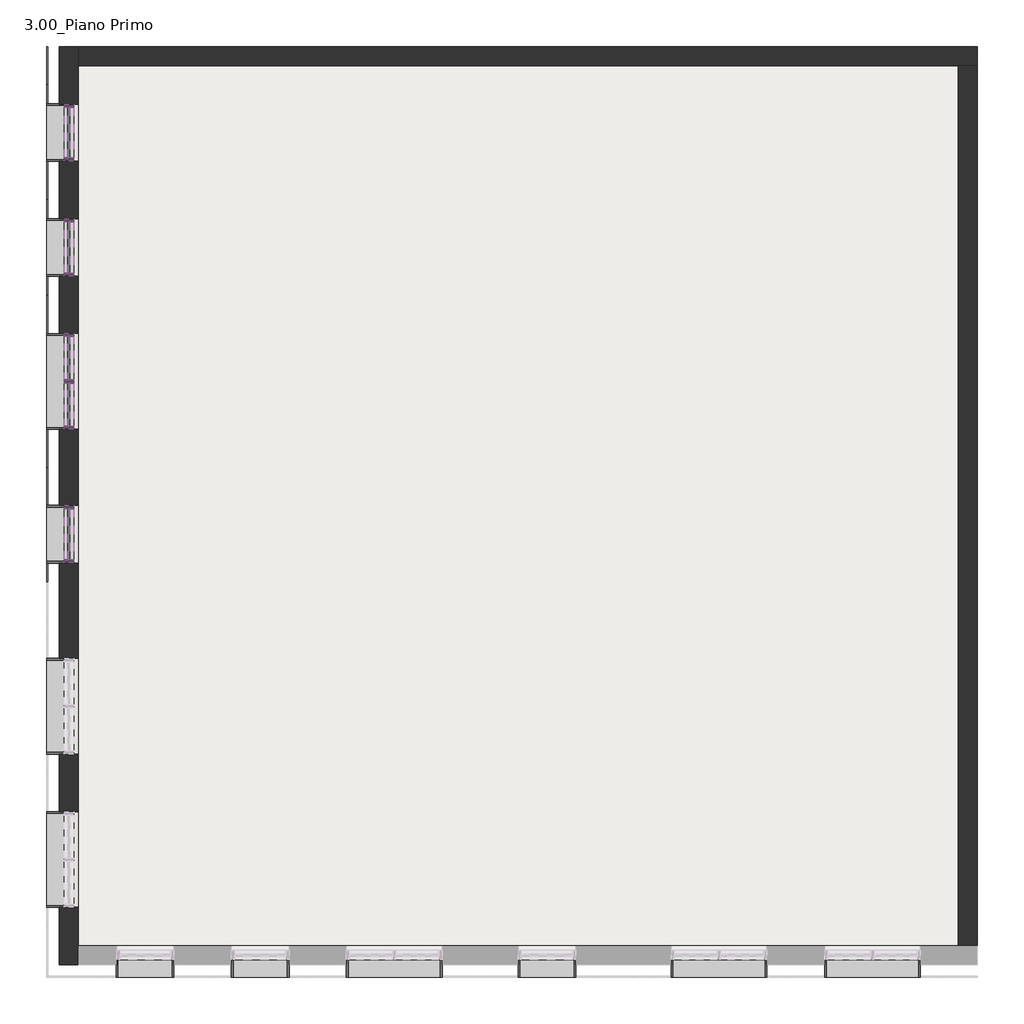
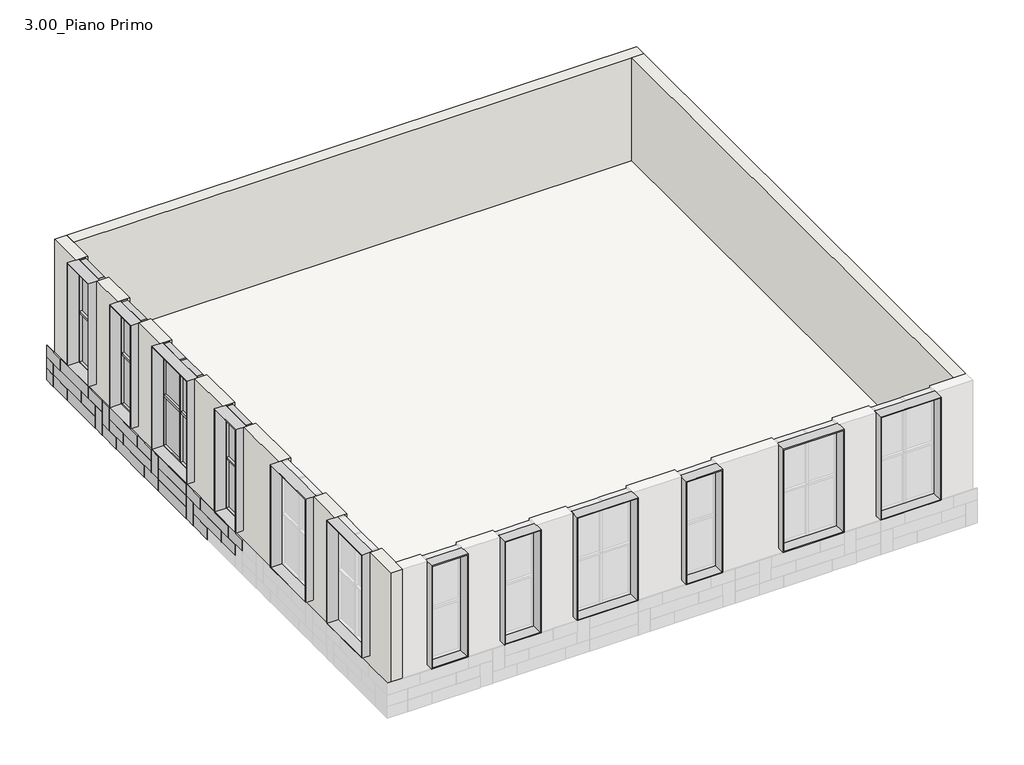
# One storey, part 3 of 3: 39 plates, 33 members, 12 proxies, 3 walls, 1 slab.
"""IFC4 building model written with IfcOpenShell, lengths in millimetres."""

import ifcopenshell
import ifcopenshell.guid

model = None  # the IFC model being written
_history = None  # IfcOwnerHistory: only IFC2X3 demands one
_inside = {}  # id of a spatial element -> (the spatial element, [elements in it])
_under = {}  # id of a project, library or spatial element -> (it, [spatial elements below it])
_declared = {}  # id of a project -> (the project, [libraries it declares])
_typed = {}  # id of a type object -> (the type object, [elements of that type])
_made_of = {}  # id of a material, layer set ... -> (it, [elements and type objects made of it])


def new_model(schema):
    """Start an empty IFC model of exactly this schema.

    Asked for "IFC4X3", IfcOpenShell would pick the latest addendum, in which some entities
    have other attributes; the version numbers below select the first issue.
    IFC2X3 requires an IfcOwnerHistory on every rooted entity: one is made here for all.
    """
    global model, _history
    if schema == "IFC4X3":
        model = ifcopenshell.file(schema_version=(4, 3, 0, 0))
    else:
        model = ifcopenshell.file(schema=schema)
    _inside.clear()
    _under.clear()
    _declared.clear()
    _typed.clear()
    _made_of.clear()
    _history = None
    if model.schema == "IFC2X3":
        org = make("IfcOrganization", Name="unknown")
        user = make(
            "IfcPersonAndOrganization",
            ThePerson=make("IfcPerson", FamilyName="unknown"),
            TheOrganization=org,
        )
        app = make(
            "IfcApplication",
            ApplicationDeveloper=org,
            Version="unknown",
            ApplicationFullName="unknown",
            ApplicationIdentifier="unknown",
        )
        _history = make(
            "IfcOwnerHistory",
            OwningUser=user,
            OwningApplication=app,
            ChangeAction="ADDED",
            CreationDate=0,
        )
    return model


def make(cls, **values):
    """One entity of the class cls with the attributes given. An attribute that is None is left unset."""
    return model.create_entity(
        cls, **{name: value for name, value in values.items() if value is not None}
    )


def rooted(cls, **values):
    """An entity with a GlobalId (a new one), such as an element, a storey or a relation."""
    return make(cls, GlobalId=ifcopenshell.guid.new(), OwnerHistory=_history, **values)


def si_unit(unit_type, name, prefix=None):
    """IfcSIUnit, for example si_unit("LENGTHUNIT", "METRE", prefix="MILLI")."""
    return make("IfcSIUnit", UnitType=unit_type, Prefix=prefix, Name=name)


def assignment(units):
    """IfcUnitAssignment: the units of a project."""
    return None if units is None else make("IfcUnitAssignment", Units=units)


def point(xyz):
    """IfcCartesianPoint."""
    return None if xyz is None else make("IfcCartesianPoint", Coordinates=xyz)


def direction(xyz):
    """IfcDirection."""
    return None if xyz is None else make("IfcDirection", DirectionRatios=xyz)


def frame(location, z_axis=None, x_axis=None):
    """IfcAxis2Placement3D, a coordinate frame: its origin and axes. An axis left out is left unset."""
    return make(
        "IfcAxis2Placement3D",
        Location=point(location),
        Axis=direction(z_axis),
        RefDirection=direction(x_axis),
    )


def origin():
    """The frame at (0, 0, 0) with its axes left unset."""
    return frame((0.0, 0.0, 0.0))


def origin_with_axes():
    """The frame at (0, 0, 0) with the z axis (0, 0, 1) and the x axis (1, 0, 0) written out."""
    return frame((0.0, 0.0, 0.0), z_axis=(0.0, 0.0, 1.0), x_axis=(1.0, 0.0, 0.0))


def place(relative_to, where):
    """IfcLocalPlacement: puts the frame where relative to a parent placement (None: the world)."""
    return make(
        "IfcLocalPlacement", PlacementRelTo=relative_to, RelativePlacement=where
    )


def context(
    kind, dimensions, precision=None, world=None, true_north=None, identifier=None
):
    """IfcGeometricRepresentationContext, for example the 3D "Model" context."""
    return make(
        "IfcGeometricRepresentationContext",
        ContextIdentifier=identifier,
        ContextType=kind,
        CoordinateSpaceDimension=dimensions,
        Precision=precision,
        WorldCoordinateSystem=world,
        TrueNorth=true_north,
    )


def project(units=None, contexts=None):
    """IfcProject with its units and contexts."""
    return rooted(
        "IfcProject",
        Name="project",
        RepresentationContexts=contexts,
        UnitsInContext=assignment(units),
    )


def spatial(cls, under=None, at=None, **own):
    """A site, building, storey or space (cls), placed at a placement, below another one or the project."""
    s = rooted(cls, ObjectPlacement=at, **own)
    if under is not None:
        _under.setdefault(under.id(), (under, []))[1].append(s)
    return s


def polyline(points):
    """IfcPolyline through the points."""
    return make("IfcPolyline", Points=[point(p) for p in points])


def outline(outer, holes=None, kind="AREA"):
    """IfcArbitraryClosedProfileDef: a profile drawn as a closed curve; with holes, ...WithVoids."""
    if holes is None:
        return make("IfcArbitraryClosedProfileDef", ProfileType=kind, OuterCurve=outer)
    return make(
        "IfcArbitraryProfileDefWithVoids",
        ProfileType=kind,
        OuterCurve=outer,
        InnerCurves=holes,
    )


def extrude(swept, where, along, depth):
    """IfcExtrudedAreaSolid: the profile swept, set in the frame where, extruded along a direction by depth."""
    return make(
        "IfcExtrudedAreaSolid",
        SweptArea=swept,
        Position=where,
        ExtrudedDirection=direction(along),
        Depth=depth,
    )


def faces_of(points, faces, orient=None, outer=None):
    """IfcFace entities. A face is a list of loops; a loop is a list of indices into points, from 0.

    orient and outer hold one flag for each loop. By default every Orientation is true, the
    first loop of a face is its IfcFaceOuterBound and the others are IfcFaceBound.
    """
    made = []
    for i, loops in enumerate(faces):
        bounds = []
        for j, loop in enumerate(loops):
            is_outer = j == 0 if outer is None else outer[i][j]
            bounds.append(
                make(
                    "IfcFaceOuterBound" if is_outer else "IfcFaceBound",
                    Bound=make("IfcPolyLoop", Polygon=[points[k] for k in loop]),
                    Orientation=True if orient is None else orient[i][j],
                )
            )
        made.append(make("IfcFace", Bounds=bounds))
    return made


def faceted_brep(points, faces, orient=None, outer=None, voids=None):
    """IfcFacetedBrep: a solid bounded by flat faces; with voids (closed shells), ...WithVoids."""
    shared = [point(p) for p in points]
    hull = make("IfcClosedShell", CfsFaces=faces_of(shared, faces, orient, outer))
    if voids is None:
        return make("IfcFacetedBrep", Outer=hull)
    return make(
        "IfcFacetedBrepWithVoids",
        Outer=hull,
        Voids=[
            make(cls, CfsFaces=faces_of(shared, fs, o, b)) for cls, fs, o, b in voids
        ],
    )


def shape(context_of_items, identifier, shape_type, items):
    """IfcShapeRepresentation: the items that make up one representation, for example the "Body"."""
    return make(
        "IfcShapeRepresentation",
        ContextOfItems=context_of_items,
        RepresentationIdentifier=identifier,
        RepresentationType=shape_type,
        Items=items,
    )


def source(mapping_origin, context_of_items, identifier, shape_type, items):
    """IfcRepresentationMap: a shape defined once, which mapped items show again and again."""
    return make(
        "IfcRepresentationMap",
        MappingOrigin=mapping_origin,
        MappedRepresentation=shape(context_of_items, identifier, shape_type, items),
    )


def transform(
    local_origin,
    x_axis=None,
    y_axis=None,
    z_axis=None,
    scale=None,
    scale2=None,
    scale3=None,
    uniform=True,
):
    """IfcCartesianTransformationOperator3D, or its non-uniform kind. x_axis, y_axis, z_axis: its Axis1, 2, 3."""
    if uniform:
        return make(
            "IfcCartesianTransformationOperator3D",
            Axis1=direction(x_axis),
            Axis2=direction(y_axis),
            LocalOrigin=point(local_origin),
            Scale=scale,
            Axis3=direction(z_axis),
        )
    return make(
        "IfcCartesianTransformationOperator3DnonUniform",
        Axis1=direction(x_axis),
        Axis2=direction(y_axis),
        LocalOrigin=point(local_origin),
        Scale=scale,
        Axis3=direction(z_axis),
        Scale2=scale2,
        Scale3=scale3,
    )


def mapped(mapping_source, mapping_target):
    """IfcMappedItem: shows the shape of a source again, moved by a transform."""
    return make(
        "IfcMappedItem", MappingSource=mapping_source, MappingTarget=mapping_target
    )


def made_of(thing, what):
    """Note that an element or type object is made of a material, layer set ...; save() writes the relation."""
    if what is not None:
        _made_of.setdefault(what.id(), (what, []))[1].append(thing)
    return thing


def element(
    cls,
    number,
    at=None,
    inside=None,
    cuts=None,
    type_object=None,
    material=None,
    context=None,
    identifier="Body",
    shape_type=None,
    held_by="IfcProductDefinitionShape",
    body=None,
    shapes=None,
    **own,
):
    """One element of the class cls, such as IfcWall. Its Tag is "e" and its number.

    at: its placement. inside: the storey or other place that contains it. cuts: it is an
    opening in that element (IfcRelVoidsElement). A single representation is given by context,
    identifier, shape_type and body (its items); several are given by shapes. held_by: the class
    of the entity that holds the representations. save() writes the other relations.
    """
    e = rooted(cls, Tag="e%d" % number, ObjectPlacement=at, **own)
    if body is not None:
        shapes = [shape(context, identifier, shape_type, body)]
    if shapes is not None:
        e.Representation = make(held_by, Representations=shapes)
    if inside is not None:
        _inside.setdefault(inside.id(), (inside, []))[1].append(e)
    if cuts is not None:
        rooted(
            "IfcRelVoidsElement", RelatingBuildingElement=cuts, RelatedOpeningElement=e
        )
    if type_object is not None:
        _typed.setdefault(type_object.id(), (type_object, []))[1].append(e)
    return made_of(e, material)


def aggregate(whole, parts):
    """IfcRelAggregates: a whole, such as a stair, and the parts it consists of."""
    return rooted("IfcRelAggregates", RelatingObject=whole, RelatedObjects=parts)


def save(model, path):
    """Write the relations noted so far, then the file.

    IfcRelAggregates (storeys below a building ...), IfcRelContainedInSpatialStructure (elements
    in a storey), IfcRelDefinesByType, IfcRelAssociatesMaterial and IfcRelDeclares: one each for
    every whole, place, type object, material and project.
    """
    for whole, parts in _under.values():
        aggregate(whole, parts)
    for where, things in _inside.values():
        rooted(
            "IfcRelContainedInSpatialStructure",
            RelatedElements=things,
            RelatingStructure=where,
        )
    for kind, things in _typed.values():
        rooted("IfcRelDefinesByType", RelatedObjects=things, RelatingType=kind)
    for what, things in _made_of.values():
        rooted("IfcRelAssociatesMaterial", RelatedObjects=things, RelatingMaterial=what)
    for by, libraries in _declared.values():
        rooted("IfcRelDeclares", RelatingContext=by, RelatedDefinitions=libraries)
    model.write(path)


def generic_models_83df59d5(model_context):
    return source(origin(), model_context, "Body", "SweptSolid", [
        extrude(outline(polyline([(2700.0, 0.0), (2700.0, -1500.0), (0.0, -1500.0), (0.0, 0.0), (2700.0, 0.0)]), holes=[polyline([(2675.0, -25.0), (25.0, -25.0), (25.0, -1475.0), (2675.0, -1475.0), (2675.0, -25.0)])]), frame((0.0, 0.0, 0.0), z_axis=(0.0, 1.0, 0.0), x_axis=(0.0, 0.0, 1.0)), (0.0, 0.0, 1.0), 275.0),
    ])


def generic_models_c423d6c5(model_context):
    return source(origin(), model_context, "Body", "SweptSolid", [
        extrude(outline(polyline([(2700.0, 0.0), (2700.0, -903.0), (0.0, -903.0), (0.0, 0.0), (2700.0, 0.0)]), holes=[polyline([(2675.0, -25.0), (25.0, -25.0), (25.0, -878.0), (2675.0, -878.0), (2675.0, -25.0)])]), frame((0.0, 0.0, 0.0), z_axis=(0.0, 1.0, 0.0), x_axis=(0.0, 0.0, 1.0)), (0.0, 0.0, 1.0), 275.0),
    ])


def montante_rettangolare_montante_rettangolare_62c69b4d(model_context):
    return source(origin(), model_context, "Body", "SweptSolid", [
        extrude(outline(polyline([(0.0, 75.0), (0.0, -75.0), (-50.0, -75.0), (-50.0, 75.0), (0.0, 75.0)])), frame((0.0, 0.0, -1350.0), z_axis=(0.0, 0.0, 1.0), x_axis=(1.0, 0.0, 0.0)), (0.0, 0.0, 1.0), 1350.0),
    ])


def montante_rettangolare_montante_rettangolare_dbb82e9e(model_context):
    return source(origin(), model_context, "Body", "SweptSolid", [
        extrude(outline(polyline([(0.0, 75.0), (0.0, -75.0), (-50.0, -75.0), (-50.0, 75.0), (0.0, 75.0)])), frame((0.0, 0.0, -675.0), z_axis=(0.0, 0.0, 1.0), x_axis=(1.0, 0.0, 0.0)), (0.0, 0.0, 1.0), 675.0),
    ])


def montante_rettangolare_montante_rettangolare_9e0f1e24(model_context):
    return source(origin(), model_context, "Body", "SweptSolid", [
        extrude(outline(polyline([(25.0, 75.0), (25.0, -75.0), (-25.0, -75.0), (-25.0, 75.0), (25.0, 75.0)])), frame((0.0, 0.0, -675.0), z_axis=(0.0, 0.0, 1.0), x_axis=(1.0, 0.0, 0.0)), (0.0, 0.0, 1.0), 675.0),
    ])


def montante_rettangolare_montante_rettangolare_8fda323b(model_context):
    return source(origin(), model_context, "Body", "SweptSolid", [
        extrude(outline(polyline([(25.0, 75.0), (25.0, -75.0), (-25.0, -75.0), (-25.0, 75.0), (25.0, 75.0)])), frame((0.0, 0.0, -1350.0), z_axis=(0.0, 0.0, 1.0), x_axis=(1.0, 0.0, 0.0)), (0.0, 0.0, 1.0), 1350.0),
    ])


def montante_rettangolare_montante_rettangolare_207248bf(model_context):
    return source(origin(), model_context, "Body", "SweptSolid", [
        extrude(outline(polyline([(0.0, 75.0), (0.0, -75.0), (-50.0, -75.0), (-50.0, 75.0), (0.0, 75.0)])), frame((0.0, 0.0, -681.0), z_axis=(0.0, 0.0, 1.0), x_axis=(1.0, 0.0, 0.0)), (0.0, 0.0, 1.0), 681.0),
    ])


def montante_rettangolare_montante_rettangolare_142b0d12(model_context):
    return source(origin(), model_context, "Body", "SweptSolid", [
        extrude(outline(polyline([(25.0, 75.0), (25.0, -75.0), (-25.0, -75.0), (-25.0, 75.0), (25.0, 75.0)])), frame((0.0, 0.0, -681.0), z_axis=(0.0, 0.0, 1.0), x_axis=(1.0, 0.0, 0.0)), (0.0, 0.0, 1.0), 681.0),
    ])


def montante_rettangolare_montante_rettangolare_4ee3d5b5(model_context):
    return source(origin(), model_context, "Body", "SweptSolid", [
        extrude(outline(polyline([(0.0, 75.0), (0.0, -75.0), (-50.0, -75.0), (-50.0, 75.0), (0.0, 75.0)])), frame((0.0, 0.0, -803.0), z_axis=(0.0, 0.0, 1.0), x_axis=(1.0, 0.0, 0.0)), (0.0, 0.0, 1.0), 803.0),
    ])


def montante_rettangolare_montante_rettangolare_9b05610f(model_context):
    return source(origin(), model_context, "Body", "SweptSolid", [
        extrude(outline(polyline([(25.0, 75.0), (25.0, -75.0), (-25.0, -75.0), (-25.0, 75.0), (25.0, 75.0)])), frame((0.0, 0.0, -803.0), z_axis=(0.0, 0.0, 1.0), x_axis=(1.0, 0.0, 0.0)), (0.0, 0.0, 1.0), 803.0),
    ])


def montante_rettangolare_montante_rettangolare_f5e4e553(model_context):
    return source(origin(), model_context, "Body", "SweptSolid", [
        extrude(outline(polyline([(0.0, 75.0), (0.0, -75.0), (-50.0, -75.0), (-50.0, 75.0), (0.0, 75.0)])), frame((0.0, 0.0, -794.0), z_axis=(0.0, 0.0, 1.0), x_axis=(1.0, 0.0, 0.0)), (0.0, 0.0, 1.0), 794.0),
    ])


def montante_rettangolare_montante_rettangolare_798cad8f(model_context):
    return source(origin(), model_context, "Body", "SweptSolid", [
        extrude(outline(polyline([(25.0, 75.0), (25.0, -75.0), (-25.0, -75.0), (-25.0, 75.0), (25.0, 75.0)])), frame((0.0, 0.0, -794.0), z_axis=(0.0, 0.0, 1.0), x_axis=(1.0, 0.0, 0.0)), (0.0, 0.0, 1.0), 794.0),
    ])


def pannello_sistema_vetrato_bb976d89(model_context):
    return source(origin(), model_context, "Body", "SweptSolid", [
        extrude(outline(polyline([(337.5, -15.0), (-337.5, -15.0), (-337.5, 15.0), (337.5, 15.0), (337.5, -15.0)])), origin_with_axes(), (0.0, 0.0, 1.0), 1275.0),
    ])


def pannello_sistema_vetrato_8daf385e(model_context):
    return source(origin(), model_context, "Body", "SweptSolid", [
        extrude(outline(polyline([(340.5, -15.0), (-340.5, -15.0), (-340.5, 15.0), (340.5, 15.0), (340.5, -15.0)])), origin_with_axes(), (0.0, 0.0, 1.0), 1275.0),
    ])


def pannello_sistema_vetrato_4d911364(model_context):
    return source(origin(), model_context, "Body", "SweptSolid", [
        extrude(outline(polyline([(401.5, -15.0), (-401.5, -15.0), (-401.5, 15.0), (401.5, 15.0), (401.5, -15.0)])), origin_with_axes(), (0.0, 0.0, 1.0), 1275.0),
    ])


def pannello_sistema_vetrato_324e2964(model_context):
    return source(origin(), model_context, "Body", "SweptSolid", [
        extrude(outline(polyline([(397.0, -15.0), (-397.0, -15.0), (-397.0, 15.0), (397.0, 15.0), (397.0, -15.0)])), origin_with_axes(), (0.0, 0.0, 1.0), 1275.0),
    ])


def rm_pannello_pannello_30_fce92ee6(model_context):
    return source(origin(), model_context, "Body", "SweptSolid", [
        extrude(outline(polyline([(297.0, 200.0), (297.0, 180.0), (-297.0, 180.0), (-297.0, 200.0), (297.0, 200.0)])), origin_with_axes(), (0.0, 0.0, 1.0), 300.0),
    ])


def rm_pannello_pannello_30_360a283b(model_context):
    return source(origin(), model_context, "Body", "SweptSolid", [
        extrude(outline(polyline([(147.0, 200.0), (147.0, 180.0), (-147.0, 180.0), (-147.0, 200.0), (147.0, 200.0)])), origin_with_axes(), (0.0, 0.0, 1.0), 300.0),
    ])


def rm_pannello_pannello_30_c1c577bf(model_context):
    return source(origin(), model_context, "Body", "SweptSolid", [
        extrude(outline(polyline([(597.0, 200.0), (597.0, 180.0), (-597.0, 180.0), (-597.0, 200.0), (597.0, 200.0)])), origin_with_axes(), (0.0, 0.0, 1.0), 300.0),
    ])


def rm_pannello_pannello_60_127fb0a9(model_context):
    return source(origin(), model_context, "Body", "SweptSolid", [
        extrude(outline(polyline([(147.0, 200.0), (147.0, 180.0), (-147.0, 180.0), (-147.0, 200.0), (147.0, 200.0)])), origin_with_axes(), (0.0, 0.0, 1.0), 600.0),
    ])


model = new_model("IFC4")

# Units and contexts
model_context = context("Model", 3, world=origin())
ifc_project = project(units=[si_unit("LENGTHUNIT", "METRE", prefix="MILLI")], contexts=[model_context])

# Site, building, storey
site = spatial("IfcSite", under=ifc_project)
building = spatial("IfcBuilding", under=site)
storey = spatial("IfcBuildingStorey", under=building, Name="3.00_Piano Primo", Elevation=3000.0)

# Proxies
placement = place(None, origin())
generic_models_shape = generic_models_83df59d5(model_context)
element("IfcBuildingElementProxy", 1, Name="Generic Models", at=placement, inside=storey, context=model_context, shape_type="MappedRepresentation", body=[
    mapped(generic_models_shape, transform((8316.5689861, -1416.454552, 3900.0), x_axis=(1.0, 0.0, 0.0), y_axis=(0.0, 1.0, 0.0), z_axis=(0.0, 0.0, 1.0))),
])
element("IfcBuildingElementProxy", 2, Name="Generic Models", at=placement, inside=storey, context=model_context, shape_type="MappedRepresentation", body=[
    mapped(generic_models_shape, transform((3222.5689861, -1416.454552, 3900.0), x_axis=(1.0, 0.0, 0.0), y_axis=(0.0, 1.0, 0.0), z_axis=(0.0, 0.0, 1.0))),
])
element("IfcBuildingElementProxy", 3, Name="Generic Models", at=placement, inside=storey, context=model_context, shape_type="MappedRepresentation", body=[
    mapped(generic_models_shape, transform((-2980.4310139, 2086.545448, 3900.0), x_axis=(0.0, -1.0, 0.0), y_axis=(1.0, 0.0, 0.0), z_axis=(0.0, 0.0, 1.0))),
])
element("IfcBuildingElementProxy", 4, Name="Generic Models", at=placement, inside=storey, context=model_context, shape_type="MappedRepresentation", body=[
    mapped(generic_models_shape, transform((-2980.4310139, 7180.545448, 3900.0), x_axis=(0.0, -1.0, 0.0), y_axis=(1.0, 0.0, 0.0), z_axis=(0.0, 0.0, 1.0))),
])
generic_models_2_shape = generic_models_c423d6c5(model_context)
element("IfcBuildingElementProxy", 5, Name="Generic Models", at=placement, inside=storey, context=model_context, shape_type="MappedRepresentation", body=[
    mapped(generic_models_2_shape, transform((-983.4310139, -1416.454552, 3900.0), x_axis=(1.0, 0.0, 0.0), y_axis=(0.0, 1.0, 0.0), z_axis=(0.0, 0.0, 1.0))),
])
element("IfcBuildingElementProxy", 6, Name="Generic Models", at=placement, inside=storey, context=model_context, shape_type="MappedRepresentation", body=[
    mapped(generic_models_2_shape, transform((-2980.4310139, 9580.545448, 3900.0), x_axis=(0.0, -1.0, 0.0), y_axis=(1.0, 0.0, 0.0), z_axis=(0.0, 0.0, 1.0))),
])
element("IfcBuildingElementProxy", 7, Name="Generic Models", at=placement, inside=storey, context=model_context, shape_type="MappedRepresentation", body=[
    mapped(generic_models_shape, transform((10722.5689861, -1416.454552, 3900.0), x_axis=(1.0, 0.0, 0.0), y_axis=(0.0, 1.0, 0.0), z_axis=(0.0, 0.0, 1.0))),
])
element("IfcBuildingElementProxy", 8, Name="Generic Models", at=placement, inside=storey, context=model_context, shape_type="MappedRepresentation", body=[
    mapped(generic_models_2_shape, transform((-2980.4310139, 5083.545448, 3900.0), x_axis=(0.0, -1.0, 0.0), y_axis=(1.0, 0.0, 0.0), z_axis=(0.0, 0.0, 1.0))),
])
element("IfcBuildingElementProxy", 9, Name="Generic Models", at=placement, inside=storey, context=model_context, shape_type="MappedRepresentation", body=[
    mapped(generic_models_shape, transform((-2980.4310139, -319.454552, 3900.0), x_axis=(0.0, -1.0, 0.0), y_axis=(1.0, 0.0, 0.0), z_axis=(0.0, 0.0, 1.0))),
])
element("IfcBuildingElementProxy", 10, Name="Generic Models", at=placement, inside=storey, context=model_context, shape_type="MappedRepresentation", body=[
    mapped(generic_models_2_shape, transform((822.5689861, -1416.454552, 3900.0), x_axis=(1.0, 0.0, 0.0), y_axis=(0.0, 1.0, 0.0), z_axis=(0.0, 0.0, 1.0))),
])
element("IfcBuildingElementProxy", 11, Name="Generic Models", at=placement, inside=storey, context=model_context, shape_type="MappedRepresentation", body=[
    mapped(generic_models_2_shape, transform((5319.5689861, -1416.454552, 3900.0), x_axis=(1.0, 0.0, 0.0), y_axis=(0.0, 1.0, 0.0), z_axis=(0.0, 0.0, 1.0))),
])
element("IfcBuildingElementProxy", 12, Name="Generic Models", at=placement, inside=storey, context=model_context, shape_type="MappedRepresentation", body=[
    mapped(generic_models_2_shape, transform((-2980.4310139, 11386.545448, 3900.0), x_axis=(0.0, -1.0, 0.0), y_axis=(1.0, 0.0, 0.0), z_axis=(0.0, 0.0, 1.0))),
])

# Members
montante_rettangolare_montante_rettangolare_shape = montante_rettangolare_montante_rettangolare_62c69b4d(model_context)
element("IfcMember", 13, ObjectType="Montante rettangolare : Montante rettangolare", at=placement, inside=storey, context=model_context, shape_type="MappedRepresentation", body=[
    mapped(montante_rettangolare_montante_rettangolare_shape, transform((-2630.4310139, 5986.545448, 3900.0), x_axis=(0.0, 1.0, 0.0), y_axis=(1.0, 0.0, 0.0), z_axis=(0.0, 0.0, -1.0))),
])
element("IfcMember", 14, ObjectType="Montante rettangolare : Montante rettangolare", at=placement, inside=storey, context=model_context, shape_type="MappedRepresentation", body=[
    mapped(montante_rettangolare_montante_rettangolare_shape, transform((-2630.4310139, 8686.545448, 3900.0), x_axis=(0.0, 1.0, 0.0), y_axis=(1.0, 0.0, 0.0), z_axis=(0.0, 0.0, -1.0))),
])
element("IfcMember", 15, ObjectType="Montante rettangolare : Montante rettangolare", at=placement, inside=storey, context=model_context, shape_type="MappedRepresentation", body=[
    mapped(montante_rettangolare_montante_rettangolare_shape, transform((-2630.4310139, 10483.545448, 3900.0), x_axis=(0.0, 1.0, 0.0), y_axis=(1.0, 0.0, 0.0), z_axis=(0.0, 0.0, -1.0))),
])
element("IfcMember", 16, ObjectType="Montante rettangolare : Montante rettangolare", at=placement, inside=storey, context=model_context, shape_type="MappedRepresentation", body=[
    mapped(montante_rettangolare_montante_rettangolare_shape, transform((-2630.4310139, 12280.545448, 3900.0), x_axis=(0.0, 1.0, 0.0), y_axis=(1.0, 0.0, 0.0), z_axis=(0.0, 0.0, -1.0))),
])
element("IfcMember", 17, ObjectType="Montante rettangolare : Montante rettangolare", at=placement, inside=storey, context=model_context, shape_type="MappedRepresentation", body=[
    mapped(montante_rettangolare_montante_rettangolare_shape, transform((-2630.4310139, 5083.545448, 6600.0), x_axis=(0.0, -1.0, 0.0), y_axis=(1.0, 0.0, 0.0), z_axis=(0.0, 0.0, 1.0))),
])
element("IfcMember", 18, ObjectType="Montante rettangolare : Montante rettangolare", at=placement, inside=storey, context=model_context, shape_type="MappedRepresentation", body=[
    mapped(montante_rettangolare_montante_rettangolare_shape, transform((-2630.4310139, 7180.545448, 6600.0), x_axis=(0.0, -1.0, 0.0), y_axis=(1.0, 0.0, 0.0), z_axis=(0.0, 0.0, 1.0))),
])
element("IfcMember", 19, ObjectType="Montante rettangolare : Montante rettangolare", at=placement, inside=storey, context=model_context, shape_type="MappedRepresentation", body=[
    mapped(montante_rettangolare_montante_rettangolare_shape, transform((-2630.4310139, 9580.545448, 6600.0), x_axis=(0.0, -1.0, 0.0), y_axis=(1.0, 0.0, 0.0), z_axis=(0.0, 0.0, 1.0))),
])
element("IfcMember", 20, ObjectType="Montante rettangolare : Montante rettangolare", at=placement, inside=storey, context=model_context, shape_type="MappedRepresentation", body=[
    mapped(montante_rettangolare_montante_rettangolare_shape, transform((-2630.4310139, 11386.545448, 6600.0), x_axis=(0.0, -1.0, 0.0), y_axis=(1.0, 0.0, 0.0), z_axis=(0.0, 0.0, 1.0))),
])
element("IfcMember", 21, ObjectType="Montante rettangolare : Montante rettangolare", at=placement, inside=storey, context=model_context, shape_type="MappedRepresentation", body=[
    mapped(montante_rettangolare_montante_rettangolare_shape, transform((-2630.4310139, 5986.545448, 5250.0), x_axis=(0.0, 1.0, 0.0), y_axis=(1.0, 0.0, 0.0), z_axis=(0.0, 0.0, -1.0))),
])
element("IfcMember", 22, ObjectType="Montante rettangolare : Montante rettangolare", at=placement, inside=storey, context=model_context, shape_type="MappedRepresentation", body=[
    mapped(montante_rettangolare_montante_rettangolare_shape, transform((-2630.4310139, 8686.545448, 5250.0), x_axis=(0.0, 1.0, 0.0), y_axis=(1.0, 0.0, 0.0), z_axis=(0.0, 0.0, -1.0))),
])
element("IfcMember", 23, ObjectType="Montante rettangolare : Montante rettangolare", at=placement, inside=storey, context=model_context, shape_type="MappedRepresentation", body=[
    mapped(montante_rettangolare_montante_rettangolare_shape, transform((-2630.4310139, 10483.545448, 5250.0), x_axis=(0.0, 1.0, 0.0), y_axis=(1.0, 0.0, 0.0), z_axis=(0.0, 0.0, -1.0))),
])
element("IfcMember", 24, ObjectType="Montante rettangolare : Montante rettangolare", at=placement, inside=storey, context=model_context, shape_type="MappedRepresentation", body=[
    mapped(montante_rettangolare_montante_rettangolare_shape, transform((-2630.4310139, 12280.545448, 5250.0), x_axis=(0.0, 1.0, 0.0), y_axis=(1.0, 0.0, 0.0), z_axis=(0.0, 0.0, -1.0))),
])
element("IfcMember", 25, ObjectType="Montante rettangolare : Montante rettangolare", at=placement, inside=storey, context=model_context, shape_type="MappedRepresentation", body=[
    mapped(montante_rettangolare_montante_rettangolare_shape, transform((-2630.4310139, 5083.545448, 5250.0), x_axis=(0.0, -1.0, 0.0), y_axis=(1.0, 0.0, 0.0), z_axis=(0.0, 0.0, 1.0))),
])
element("IfcMember", 26, ObjectType="Montante rettangolare : Montante rettangolare", at=placement, inside=storey, context=model_context, shape_type="MappedRepresentation", body=[
    mapped(montante_rettangolare_montante_rettangolare_shape, transform((-2630.4310139, 7180.545448, 5250.0), x_axis=(0.0, -1.0, 0.0), y_axis=(1.0, 0.0, 0.0), z_axis=(0.0, 0.0, 1.0))),
])
element("IfcMember", 27, ObjectType="Montante rettangolare : Montante rettangolare", at=placement, inside=storey, context=model_context, shape_type="MappedRepresentation", body=[
    mapped(montante_rettangolare_montante_rettangolare_shape, transform((-2630.4310139, 9580.545448, 5250.0), x_axis=(0.0, -1.0, 0.0), y_axis=(1.0, 0.0, 0.0), z_axis=(0.0, 0.0, 1.0))),
])
element("IfcMember", 28, ObjectType="Montante rettangolare : Montante rettangolare", at=placement, inside=storey, context=model_context, shape_type="MappedRepresentation", body=[
    mapped(montante_rettangolare_montante_rettangolare_shape, transform((-2630.4310139, 11386.545448, 5250.0), x_axis=(0.0, -1.0, 0.0), y_axis=(1.0, 0.0, 0.0), z_axis=(0.0, 0.0, 1.0))),
])
montante_rettangolare_montante_rettangolare_2_shape = montante_rettangolare_montante_rettangolare_dbb82e9e(model_context)
element("IfcMember", 29, ObjectType="Montante rettangolare : Montante rettangolare", at=placement, inside=storey, context=model_context, shape_type="MappedRepresentation", body=[
    mapped(montante_rettangolare_montante_rettangolare_2_shape, transform((-2630.4310139, 7905.545448, 6600.0), x_axis=(0.0, 0.0, 1.0), y_axis=(1.0, 0.0, 0.0), z_axis=(0.0, 1.0, 0.0))),
])
element("IfcMember", 30, ObjectType="Montante rettangolare : Montante rettangolare", at=placement, inside=storey, context=model_context, shape_type="MappedRepresentation", body=[
    mapped(montante_rettangolare_montante_rettangolare_2_shape, transform((-2630.4310139, 7230.545448, 3900.0), x_axis=(0.0, 0.0, -1.0), y_axis=(1.0, 0.0, 0.0), z_axis=(0.0, -1.0, 0.0))),
])
montante_rettangolare_montante_rettangolare_3_shape = montante_rettangolare_montante_rettangolare_9e0f1e24(model_context)
element("IfcMember", 31, ObjectType="Montante rettangolare : Montante rettangolare", at=placement, inside=storey, context=model_context, shape_type="MappedRepresentation", body=[
    mapped(montante_rettangolare_montante_rettangolare_3_shape, transform((-2630.4310139, 7905.545448, 5250.0), x_axis=(0.0, 0.0, 1.0), y_axis=(1.0, 0.0, 0.0), z_axis=(0.0, 1.0, 0.0))),
])
montante_rettangolare_montante_rettangolare_4_shape = montante_rettangolare_montante_rettangolare_8fda323b(model_context)
element("IfcMember", 32, ObjectType="Montante rettangolare : Montante rettangolare", at=placement, inside=storey, context=model_context, shape_type="MappedRepresentation", body=[
    mapped(montante_rettangolare_montante_rettangolare_4_shape, transform((-2630.4310139, 7930.545448, 3900.0), x_axis=(0.0, 1.0, 0.0), y_axis=(1.0, 0.0, 0.0), z_axis=(0.0, 0.0, -1.0))),
])
element("IfcMember", 33, ObjectType="Montante rettangolare : Montante rettangolare", at=placement, inside=storey, context=model_context, shape_type="MappedRepresentation", body=[
    mapped(montante_rettangolare_montante_rettangolare_4_shape, transform((-2630.4310139, 7930.545448, 5250.0), x_axis=(0.0, 1.0, 0.0), y_axis=(1.0, 0.0, 0.0), z_axis=(0.0, 0.0, -1.0))),
])
montante_rettangolare_montante_rettangolare_5_shape = montante_rettangolare_montante_rettangolare_207248bf(model_context)
element("IfcMember", 34, ObjectType="Montante rettangolare : Montante rettangolare", at=placement, inside=storey, context=model_context, shape_type="MappedRepresentation", body=[
    mapped(montante_rettangolare_montante_rettangolare_5_shape, transform((-2630.4310139, 8636.545448, 6600.0), x_axis=(0.0, 0.0, 1.0), y_axis=(1.0, 0.0, 0.0), z_axis=(0.0, 1.0, 0.0))),
])
element("IfcMember", 35, ObjectType="Montante rettangolare : Montante rettangolare", at=placement, inside=storey, context=model_context, shape_type="MappedRepresentation", body=[
    mapped(montante_rettangolare_montante_rettangolare_5_shape, transform((-2630.4310139, 7955.545448, 3900.0), x_axis=(0.0, 0.0, -1.0), y_axis=(1.0, 0.0, 0.0), z_axis=(0.0, -1.0, 0.0))),
])
montante_rettangolare_montante_rettangolare_6_shape = montante_rettangolare_montante_rettangolare_142b0d12(model_context)
element("IfcMember", 36, ObjectType="Montante rettangolare : Montante rettangolare", at=placement, inside=storey, context=model_context, shape_type="MappedRepresentation", body=[
    mapped(montante_rettangolare_montante_rettangolare_6_shape, transform((-2630.4310139, 8636.545448, 5250.0), x_axis=(0.0, 0.0, 1.0), y_axis=(1.0, 0.0, 0.0), z_axis=(0.0, 1.0, 0.0))),
])
montante_rettangolare_montante_rettangolare_7_shape = montante_rettangolare_montante_rettangolare_4ee3d5b5(model_context)
element("IfcMember", 37, ObjectType="Montante rettangolare : Montante rettangolare", at=placement, inside=storey, context=model_context, shape_type="MappedRepresentation", body=[
    mapped(montante_rettangolare_montante_rettangolare_7_shape, transform((-2630.4310139, 5936.545448, 6600.0), x_axis=(0.0, 0.0, 1.0), y_axis=(1.0, 0.0, 0.0), z_axis=(0.0, 1.0, 0.0))),
])
element("IfcMember", 38, ObjectType="Montante rettangolare : Montante rettangolare", at=placement, inside=storey, context=model_context, shape_type="MappedRepresentation", body=[
    mapped(montante_rettangolare_montante_rettangolare_7_shape, transform((-2630.4310139, 10433.545448, 6600.0), x_axis=(0.0, 0.0, 1.0), y_axis=(1.0, 0.0, 0.0), z_axis=(0.0, 1.0, 0.0))),
])
element("IfcMember", 39, ObjectType="Montante rettangolare : Montante rettangolare", at=placement, inside=storey, context=model_context, shape_type="MappedRepresentation", body=[
    mapped(montante_rettangolare_montante_rettangolare_7_shape, transform((-2630.4310139, 5133.545448, 3900.0), x_axis=(0.0, 0.0, -1.0), y_axis=(1.0, 0.0, 0.0), z_axis=(0.0, -1.0, 0.0))),
])
element("IfcMember", 40, ObjectType="Montante rettangolare : Montante rettangolare", at=placement, inside=storey, context=model_context, shape_type="MappedRepresentation", body=[
    mapped(montante_rettangolare_montante_rettangolare_7_shape, transform((-2630.4310139, 9630.545448, 3900.0), x_axis=(0.0, 0.0, -1.0), y_axis=(1.0, 0.0, 0.0), z_axis=(0.0, -1.0, 0.0))),
])
montante_rettangolare_montante_rettangolare_8_shape = montante_rettangolare_montante_rettangolare_9b05610f(model_context)
element("IfcMember", 41, ObjectType="Montante rettangolare : Montante rettangolare", at=placement, inside=storey, context=model_context, shape_type="MappedRepresentation", body=[
    mapped(montante_rettangolare_montante_rettangolare_8_shape, transform((-2630.4310139, 5936.545448, 5250.0), x_axis=(0.0, 0.0, 1.0), y_axis=(1.0, 0.0, 0.0), z_axis=(0.0, 1.0, 0.0))),
])
element("IfcMember", 42, ObjectType="Montante rettangolare : Montante rettangolare", at=placement, inside=storey, context=model_context, shape_type="MappedRepresentation", body=[
    mapped(montante_rettangolare_montante_rettangolare_8_shape, transform((-2630.4310139, 10433.545448, 5250.0), x_axis=(0.0, 0.0, 1.0), y_axis=(1.0, 0.0, 0.0), z_axis=(0.0, 1.0, 0.0))),
])
montante_rettangolare_montante_rettangolare_9_shape = montante_rettangolare_montante_rettangolare_f5e4e553(model_context)
element("IfcMember", 43, ObjectType="Montante rettangolare : Montante rettangolare", at=placement, inside=storey, context=model_context, shape_type="MappedRepresentation", body=[
    mapped(montante_rettangolare_montante_rettangolare_9_shape, transform((-2630.4310139, 12230.545448, 6600.0), x_axis=(0.0, 0.0, 1.0), y_axis=(1.0, 0.0, 0.0), z_axis=(0.0, 1.0, 0.0))),
])
element("IfcMember", 44, ObjectType="Montante rettangolare : Montante rettangolare", at=placement, inside=storey, context=model_context, shape_type="MappedRepresentation", body=[
    mapped(montante_rettangolare_montante_rettangolare_9_shape, transform((-2630.4310139, 11436.545448, 3900.0), x_axis=(0.0, 0.0, -1.0), y_axis=(1.0, 0.0, 0.0), z_axis=(0.0, -1.0, 0.0))),
])
montante_rettangolare_montante_rettangolare_10_shape = montante_rettangolare_montante_rettangolare_798cad8f(model_context)
element("IfcMember", 45, ObjectType="Montante rettangolare : Montante rettangolare", at=placement, inside=storey, context=model_context, shape_type="MappedRepresentation", body=[
    mapped(montante_rettangolare_montante_rettangolare_10_shape, transform((-2630.4310139, 12230.545448, 5250.0), x_axis=(0.0, 0.0, 1.0), y_axis=(1.0, 0.0, 0.0), z_axis=(0.0, 1.0, 0.0))),
])

# Plates
pannello_sistema_vetrato_shape = pannello_sistema_vetrato_bb976d89(model_context)
element("IfcPlate", 46, ObjectType="Pannello sistema : Vetrato", at=placement, inside=storey, context=model_context, shape_type="MappedRepresentation", body=[
    mapped(pannello_sistema_vetrato_shape, transform((-2630.4310139, 7568.045448, 3950.0), x_axis=(0.0, 1.0, 0.0), y_axis=(-1.0, 0.0, 0.0), z_axis=(0.0, 0.0, 1.0))),
])
element("IfcPlate", 47, ObjectType="Pannello sistema : Vetrato", at=placement, inside=storey, context=model_context, shape_type="MappedRepresentation", body=[
    mapped(pannello_sistema_vetrato_shape, transform((-2630.4310139, 7568.045448, 5275.0), x_axis=(0.0, 1.0, 0.0), y_axis=(-1.0, 0.0, 0.0), z_axis=(0.0, 0.0, 1.0))),
])
pannello_sistema_vetrato_2_shape = pannello_sistema_vetrato_8daf385e(model_context)
element("IfcPlate", 48, ObjectType="Pannello sistema : Vetrato", at=placement, inside=storey, context=model_context, shape_type="MappedRepresentation", body=[
    mapped(pannello_sistema_vetrato_2_shape, transform((-2630.4310139, 8296.045448, 3950.0), x_axis=(0.0, 1.0, 0.0), y_axis=(-1.0, 0.0, 0.0), z_axis=(0.0, 0.0, 1.0))),
])
element("IfcPlate", 49, ObjectType="Pannello sistema : Vetrato", at=placement, inside=storey, context=model_context, shape_type="MappedRepresentation", body=[
    mapped(pannello_sistema_vetrato_2_shape, transform((-2630.4310139, 8296.045448, 5275.0), x_axis=(0.0, 1.0, 0.0), y_axis=(-1.0, 0.0, 0.0), z_axis=(0.0, 0.0, 1.0))),
])
pannello_sistema_vetrato_3_shape = pannello_sistema_vetrato_4d911364(model_context)
element("IfcPlate", 50, ObjectType="Pannello sistema : Vetrato", at=placement, inside=storey, context=model_context, shape_type="MappedRepresentation", body=[
    mapped(pannello_sistema_vetrato_3_shape, transform((-2630.4310139, 5535.045448, 3950.0), x_axis=(0.0, 1.0, 0.0), y_axis=(-1.0, 0.0, 0.0), z_axis=(0.0, 0.0, 1.0))),
])
element("IfcPlate", 51, ObjectType="Pannello sistema : Vetrato", at=placement, inside=storey, context=model_context, shape_type="MappedRepresentation", body=[
    mapped(pannello_sistema_vetrato_3_shape, transform((-2630.4310139, 5535.045448, 5275.0), x_axis=(0.0, 1.0, 0.0), y_axis=(-1.0, 0.0, 0.0), z_axis=(0.0, 0.0, 1.0))),
])
element("IfcPlate", 52, ObjectType="Pannello sistema : Vetrato", at=placement, inside=storey, context=model_context, shape_type="MappedRepresentation", body=[
    mapped(pannello_sistema_vetrato_3_shape, transform((-2630.4310139, 10032.045448, 3950.0), x_axis=(0.0, 1.0, 0.0), y_axis=(-1.0, 0.0, 0.0), z_axis=(0.0, 0.0, 1.0))),
])
element("IfcPlate", 53, ObjectType="Pannello sistema : Vetrato", at=placement, inside=storey, context=model_context, shape_type="MappedRepresentation", body=[
    mapped(pannello_sistema_vetrato_3_shape, transform((-2630.4310139, 10032.045448, 5275.0), x_axis=(0.0, 1.0, 0.0), y_axis=(-1.0, 0.0, 0.0), z_axis=(0.0, 0.0, 1.0))),
])
pannello_sistema_vetrato_4_shape = pannello_sistema_vetrato_324e2964(model_context)
element("IfcPlate", 54, ObjectType="Pannello sistema : Vetrato", at=placement, inside=storey, context=model_context, shape_type="MappedRepresentation", body=[
    mapped(pannello_sistema_vetrato_4_shape, transform((-2630.4310139, 11833.545448, 3950.0), x_axis=(0.0, 1.0, 0.0), y_axis=(-1.0, 0.0, 0.0), z_axis=(0.0, 0.0, 1.0))),
])
element("IfcPlate", 55, ObjectType="Pannello sistema : Vetrato", at=placement, inside=storey, context=model_context, shape_type="MappedRepresentation", body=[
    mapped(pannello_sistema_vetrato_4_shape, transform((-2630.4310139, 11833.545448, 5275.0), x_axis=(0.0, 1.0, 0.0), y_axis=(-1.0, 0.0, 0.0), z_axis=(0.0, 0.0, 1.0))),
])
rm_pannello_pannello_30_shape = rm_pannello_pannello_30_fce92ee6(model_context)
element("IfcPlate", 56, ObjectType="RM - Pannello : Pannello 30", at=placement, inside=storey, context=model_context, shape_type="MappedRepresentation", body=[
    mapped(rm_pannello_pannello_30_shape, transform((-2780.4310139, 12583.545448, 3000.0), x_axis=(0.0, 1.0, 0.0), y_axis=(-1.0, 0.0, 0.0), z_axis=(0.0, 0.0, 1.0))),
])
element("IfcPlate", 57, ObjectType="RM - Pannello : Pannello 30", at=placement, inside=storey, context=model_context, shape_type="MappedRepresentation", body=[
    mapped(rm_pannello_pannello_30_shape, transform((-2780.4310139, 8683.545448, 3000.0), x_axis=(0.0, 1.0, 0.0), y_axis=(-1.0, 0.0, 0.0), z_axis=(0.0, 0.0, 1.0))),
])
element("IfcPlate", 58, ObjectType="RM - Pannello : Pannello 30", at=placement, inside=storey, context=model_context, shape_type="MappedRepresentation", body=[
    mapped(rm_pannello_pannello_30_shape, transform((-2780.4310139, 6583.545448, 3000.0), x_axis=(0.0, 1.0, 0.0), y_axis=(-1.0, 0.0, 0.0), z_axis=(0.0, 0.0, 1.0))),
])
element("IfcPlate", 59, ObjectType="RM - Pannello : Pannello 30", at=placement, inside=storey, context=model_context, shape_type="MappedRepresentation", body=[
    mapped(rm_pannello_pannello_30_shape, transform((-2780.4310139, 5083.545448, 3600.0), x_axis=(0.0, 1.0, 0.0), y_axis=(-1.0, 0.0, 0.0), z_axis=(0.0, 0.0, 1.0))),
])
element("IfcPlate", 60, ObjectType="RM - Pannello : Pannello 30", at=placement, inside=storey, context=model_context, shape_type="MappedRepresentation", body=[
    mapped(rm_pannello_pannello_30_shape, transform((-2780.4310139, 6883.545448, 3600.0), x_axis=(0.0, 1.0, 0.0), y_axis=(-1.0, 0.0, 0.0), z_axis=(0.0, 0.0, 1.0))),
])
element("IfcPlate", 61, ObjectType="RM - Pannello : Pannello 30", at=placement, inside=storey, context=model_context, shape_type="MappedRepresentation", body=[
    mapped(rm_pannello_pannello_30_shape, transform((-2780.4310139, 8983.545448, 3600.0), x_axis=(0.0, 1.0, 0.0), y_axis=(-1.0, 0.0, 0.0), z_axis=(0.0, 0.0, 1.0))),
])
element("IfcPlate", 62, ObjectType="RM - Pannello : Pannello 30", at=placement, inside=storey, context=model_context, shape_type="MappedRepresentation", body=[
    mapped(rm_pannello_pannello_30_shape, transform((-2780.4310139, 11083.545448, 3600.0), x_axis=(0.0, 1.0, 0.0), y_axis=(-1.0, 0.0, 0.0), z_axis=(0.0, 0.0, 1.0))),
])
element("IfcPlate", 63, ObjectType="RM - Pannello : Pannello 30", at=placement, inside=storey, context=model_context, shape_type="MappedRepresentation", body=[
    mapped(rm_pannello_pannello_30_shape, transform((-2780.4310139, 12883.545448, 3600.0), x_axis=(0.0, 1.0, 0.0), y_axis=(-1.0, 0.0, 0.0), z_axis=(0.0, 0.0, 1.0))),
])
element("IfcPlate", 64, ObjectType="RM - Pannello : Pannello 30", at=placement, inside=storey, context=model_context, shape_type="MappedRepresentation", body=[
    mapped(rm_pannello_pannello_30_shape, transform((-2780.4310139, 5383.545448, 3300.0), x_axis=(0.0, 1.0, 0.0), y_axis=(-1.0, 0.0, 0.0), z_axis=(0.0, 0.0, 1.0))),
])
element("IfcPlate", 65, ObjectType="RM - Pannello : Pannello 30", at=placement, inside=storey, context=model_context, shape_type="MappedRepresentation", body=[
    mapped(rm_pannello_pannello_30_shape, transform((-2780.4310139, 11383.545448, 3300.0), x_axis=(0.0, 1.0, 0.0), y_axis=(-1.0, 0.0, 0.0), z_axis=(0.0, 0.0, 1.0))),
])
element("IfcPlate", 66, ObjectType="RM - Pannello : Pannello 30", at=placement, inside=storey, context=model_context, shape_type="MappedRepresentation", body=[
    mapped(rm_pannello_pannello_30_shape, transform((-2780.4310139, 10483.545448, 3000.0), x_axis=(0.0, 1.0, 0.0), y_axis=(-1.0, 0.0, 0.0), z_axis=(0.0, 0.0, 1.0))),
])
element("IfcPlate", 67, ObjectType="RM - Pannello : Pannello 30", at=placement, inside=storey, context=model_context, shape_type="MappedRepresentation", body=[
    mapped(rm_pannello_pannello_30_shape, transform((-2780.4310139, 10183.545448, 3300.0), x_axis=(0.0, 1.0, 0.0), y_axis=(-1.0, 0.0, 0.0), z_axis=(0.0, 0.0, 1.0))),
])
rm_pannello_pannello_30_2_shape = rm_pannello_pannello_30_360a283b(model_context)
element("IfcPlate", 68, ObjectType="RM - Pannello : Pannello 30", at=placement, inside=storey, context=model_context, shape_type="MappedRepresentation", body=[
    mapped(rm_pannello_pannello_30_2_shape, transform((-2780.4310139, 13033.545448, 3000.0), x_axis=(0.0, 1.0, 0.0), y_axis=(-1.0, 0.0, 0.0), z_axis=(0.0, 0.0, 1.0))),
])
element("IfcPlate", 69, ObjectType="RM - Pannello : Pannello 30", at=placement, inside=storey, context=model_context, shape_type="MappedRepresentation", body=[
    mapped(rm_pannello_pannello_30_2_shape, transform((-2780.4310139, 13033.545448, 3300.0), x_axis=(0.0, 1.0, 0.0), y_axis=(-1.0, 0.0, 0.0), z_axis=(0.0, 0.0, 1.0))),
])
rm_pannello_pannello_30_3_shape = rm_pannello_pannello_30_c1c577bf(model_context)
element("IfcPlate", 70, ObjectType="RM - Pannello : Pannello 30", at=placement, inside=storey, context=model_context, shape_type="MappedRepresentation", body=[
    mapped(rm_pannello_pannello_30_3_shape, transform((-2780.4310139, 11683.545448, 3000.0), x_axis=(0.0, 1.0, 0.0), y_axis=(-1.0, 0.0, 0.0), z_axis=(0.0, 0.0, 1.0))),
])
element("IfcPlate", 71, ObjectType="RM - Pannello : Pannello 30", at=placement, inside=storey, context=model_context, shape_type="MappedRepresentation", body=[
    mapped(rm_pannello_pannello_30_3_shape, transform((-2780.4310139, 9283.545448, 3300.0), x_axis=(0.0, 1.0, 0.0), y_axis=(-1.0, 0.0, 0.0), z_axis=(0.0, 0.0, 1.0))),
])
element("IfcPlate", 72, ObjectType="RM - Pannello : Pannello 30", at=placement, inside=storey, context=model_context, shape_type="MappedRepresentation", body=[
    mapped(rm_pannello_pannello_30_3_shape, transform((-2780.4310139, 9583.545448, 3000.0), x_axis=(0.0, 1.0, 0.0), y_axis=(-1.0, 0.0, 0.0), z_axis=(0.0, 0.0, 1.0))),
])
element("IfcPlate", 73, ObjectType="RM - Pannello : Pannello 30", at=placement, inside=storey, context=model_context, shape_type="MappedRepresentation", body=[
    mapped(rm_pannello_pannello_30_3_shape, transform((-2780.4310139, 5983.545448, 3600.0), x_axis=(0.0, 1.0, 0.0), y_axis=(-1.0, 0.0, 0.0), z_axis=(0.0, 0.0, 1.0))),
])
element("IfcPlate", 74, ObjectType="RM - Pannello : Pannello 30", at=placement, inside=storey, context=model_context, shape_type="MappedRepresentation", body=[
    mapped(rm_pannello_pannello_30_3_shape, transform((-2780.4310139, 11983.545448, 3600.0), x_axis=(0.0, 1.0, 0.0), y_axis=(-1.0, 0.0, 0.0), z_axis=(0.0, 0.0, 1.0))),
])
element("IfcPlate", 75, ObjectType="RM - Pannello : Pannello 30", at=placement, inside=storey, context=model_context, shape_type="MappedRepresentation", body=[
    mapped(rm_pannello_pannello_30_3_shape, transform((-2780.4310139, 7783.545448, 3000.0), x_axis=(0.0, 1.0, 0.0), y_axis=(-1.0, 0.0, 0.0), z_axis=(0.0, 0.0, 1.0))),
])
element("IfcPlate", 76, ObjectType="RM - Pannello : Pannello 30", at=placement, inside=storey, context=model_context, shape_type="MappedRepresentation", body=[
    mapped(rm_pannello_pannello_30_3_shape, transform((-2780.4310139, 7783.545448, 3600.0), x_axis=(0.0, 1.0, 0.0), y_axis=(-1.0, 0.0, 0.0), z_axis=(0.0, 0.0, 1.0))),
])
element("IfcPlate", 77, ObjectType="RM - Pannello : Pannello 30", at=placement, inside=storey, context=model_context, shape_type="MappedRepresentation", body=[
    mapped(rm_pannello_pannello_30_3_shape, transform((-2780.4310139, 7783.545448, 3300.0), x_axis=(0.0, 1.0, 0.0), y_axis=(-1.0, 0.0, 0.0), z_axis=(0.0, 0.0, 1.0))),
])
element("IfcPlate", 78, ObjectType="RM - Pannello : Pannello 30", at=placement, inside=storey, context=model_context, shape_type="MappedRepresentation", body=[
    mapped(rm_pannello_pannello_30_3_shape, transform((-2780.4310139, 9883.545448, 3600.0), x_axis=(0.0, 1.0, 0.0), y_axis=(-1.0, 0.0, 0.0), z_axis=(0.0, 0.0, 1.0))),
])
element("IfcPlate", 79, ObjectType="RM - Pannello : Pannello 30", at=placement, inside=storey, context=model_context, shape_type="MappedRepresentation", body=[
    mapped(rm_pannello_pannello_30_3_shape, transform((-2780.4310139, 6283.545448, 3300.0), x_axis=(0.0, 1.0, 0.0), y_axis=(-1.0, 0.0, 0.0), z_axis=(0.0, 0.0, 1.0))),
])
element("IfcPlate", 80, ObjectType="RM - Pannello : Pannello 30", at=placement, inside=storey, context=model_context, shape_type="MappedRepresentation", body=[
    mapped(rm_pannello_pannello_30_3_shape, transform((-2780.4310139, 12283.545448, 3300.0), x_axis=(0.0, 1.0, 0.0), y_axis=(-1.0, 0.0, 0.0), z_axis=(0.0, 0.0, 1.0))),
])
rm_pannello_pannello_60_shape = rm_pannello_pannello_60_127fb0a9(model_context)
element("IfcPlate", 81, ObjectType="RM - Pannello : Pannello 60", at=placement, inside=storey, context=model_context, shape_type="MappedRepresentation", body=[
    mapped(rm_pannello_pannello_60_shape, transform((-2780.4310139, 10933.545448, 3000.0), x_axis=(0.0, 1.0, 0.0), y_axis=(-1.0, 0.0, 0.0), z_axis=(0.0, 0.0, 1.0))),
])
element("IfcPlate", 82, ObjectType="RM - Pannello : Pannello 60", at=placement, inside=storey, context=model_context, shape_type="MappedRepresentation", body=[
    mapped(rm_pannello_pannello_60_shape, transform((-2780.4310139, 7033.545448, 3000.0), x_axis=(0.0, 1.0, 0.0), y_axis=(-1.0, 0.0, 0.0), z_axis=(0.0, 0.0, 1.0))),
])
element("IfcPlate", 83, ObjectType="RM - Pannello : Pannello 60", at=placement, inside=storey, context=model_context, shape_type="MappedRepresentation", body=[
    mapped(rm_pannello_pannello_60_shape, transform((-2780.4310139, 8533.545448, 3300.0), x_axis=(0.0, 1.0, 0.0), y_axis=(-1.0, 0.0, 0.0), z_axis=(0.0, 0.0, 1.0))),
])
element("IfcPlate", 84, ObjectType="RM - Pannello : Pannello 60", at=placement, inside=storey, context=model_context, shape_type="MappedRepresentation", body=[
    mapped(rm_pannello_pannello_60_shape, transform((-2780.4310139, 10633.545448, 3300.0), x_axis=(0.0, 1.0, 0.0), y_axis=(-1.0, 0.0, 0.0), z_axis=(0.0, 0.0, 1.0))),
])

# Slab
element("IfcSlab", 85, ObjectType="Latero Cementizio - 30 cm", at=placement, inside=storey, context=model_context, shape_type="SweptSolid", body=[
    extrude(outline(polyline([(11319.5689861, 12883.545448), (11319.5689861, -916.454552), (-2480.4310139, -916.454552), (-2480.4310139, 12883.545448), (11319.5689861, 12883.545448)])), frame((0.0, 0.0, 3600.0), z_axis=(0.0, 0.0, 1.0), x_axis=(1.0, 0.0, 0.0)), (0.0, 0.0, 1.0), 300.0),
])

# Walls
element("IfcWall", 86, ObjectType="Generico - 30 cm", at=placement, inside=storey, context=model_context, shape_type="Brep", body=[
    faceted_brep([(-2480.4310139, -1216.454552, 3000.0), (-2480.4310139, -916.454552, 3000.0), (-2480.4310139, 12883.545448, 3000.0), (-2480.4310139, 13183.545448, 3000.0), (-2480.4310139, 13183.545448, 6600.0), (-2480.4310139, 12883.545448, 6600.0), (-2480.4310139, 12280.545448, 6600.0), (-2480.4310139, 12280.545448, 3900.0), (-2480.4310139, 11386.545448, 3900.0), (-2480.4310139, 11386.545448, 6600.0), (-2480.4310139, 10483.545448, 6600.0), (-2480.4310139, 10483.545448, 3900.0), (-2480.4310139, 9580.545448, 3900.0), (-2480.4310139, 9580.545448, 6600.0), (-2480.4310139, 8686.545448, 6600.0), (-2480.4310139, 8686.545448, 3900.0), (-2480.4310139, 7180.545448, 3900.0), (-2480.4310139, 7180.545448, 6600.0), (-2480.4310139, 5986.545448, 6600.0), (-2480.4310139, 5986.545448, 3900.0), (-2480.4310139, 5083.545448, 3900.0), (-2480.4310139, 5083.545448, 6600.0), (-2480.4310139, 3586.545448, 6600.0), (-2480.4310139, 3586.545448, 3900.0), (-2480.4310139, 2086.545448, 3900.0), (-2480.4310139, 2086.545448, 6600.0), (-2480.4310139, 1180.545448, 6600.0), (-2480.4310139, 1180.545448, 3900.0), (-2480.4310139, -319.454552, 3900.0), (-2480.4310139, -319.454552, 6600.0), (-2480.4310139, -916.454552, 6600.0), (-2480.4310139, -1216.454552, 6600.0), (-2780.4310139, -1216.454552, 3000.0), (-2780.4310139, -1216.454552, 6600.0), (-2780.4310139, -319.454552, 6600.0), (-2780.4310139, -319.454552, 3900.0), (-2780.4310139, 1180.545448, 3900.0), (-2780.4310139, 1180.545448, 6600.0), (-2780.4310139, 2086.545448, 6600.0), (-2780.4310139, 2086.545448, 3900.0), (-2780.4310139, 3586.545448, 3900.0), (-2780.4310139, 3586.545448, 6600.0), (-2780.4310139, 5083.545448, 6600.0), (-2780.4310139, 5083.545448, 3900.0), (-2780.4310139, 5986.545448, 3900.0), (-2780.4310139, 5986.545448, 6600.0), (-2780.4310139, 7180.545448, 6600.0), (-2780.4310139, 7180.545448, 3900.0), (-2780.4310139, 8686.545448, 3900.0), (-2780.4310139, 8686.545448, 6600.0), (-2780.4310139, 9580.545448, 6600.0), (-2780.4310139, 9580.545448, 3900.0), (-2780.4310139, 10483.545448, 3900.0), (-2780.4310139, 10483.545448, 6600.0), (-2780.4310139, 11386.545448, 6600.0), (-2780.4310139, 11386.545448, 3900.0), (-2780.4310139, 12280.545448, 3900.0), (-2780.4310139, 12280.545448, 6600.0), (-2780.4310139, 13183.545448, 6600.0), (-2780.4310139, 13183.545448, 3000.0)], [[[0, 1, 2, 3, 4, 5, 6, 7, 8, 9, 10, 11, 12, 13, 14, 15, 16, 17, 18, 19, 20, 21, 22, 23, 24, 25, 26, 27, 28, 29, 30, 31]], [[32, 33, 34, 35, 36, 37, 38, 39, 40, 41, 42, 43, 44, 45, 46, 47, 48, 49, 50, 51, 52, 53, 54, 55, 56, 57, 58, 59]], [[3, 2, 1, 0, 32, 59]], [[6, 5, 4, 58, 57]], [[7, 6, 57, 56]], [[8, 7, 56, 55]], [[9, 8, 55, 54]], [[10, 9, 54, 53]], [[11, 10, 53, 52]], [[12, 11, 52, 51]], [[13, 12, 51, 50]], [[14, 13, 50, 49]], [[15, 14, 49, 48]], [[16, 15, 48, 47]], [[17, 16, 47, 46]], [[18, 17, 46, 45]], [[19, 18, 45, 44]], [[20, 19, 44, 43]], [[21, 20, 43, 42]], [[22, 21, 42, 41]], [[23, 22, 41, 40]], [[24, 23, 40, 39]], [[25, 24, 39, 38]], [[26, 25, 38, 37]], [[27, 26, 37, 36]], [[28, 27, 36, 35]], [[29, 28, 35, 34]], [[31, 30, 29, 34, 33]], [[0, 31, 33, 32]], [[4, 3, 59, 58]]]),
])
element("IfcWall", 87, ObjectType="Generico - 30 cm", at=placement, inside=storey, context=model_context, shape_type="Brep", body=[
    faceted_brep([(-2480.4310139, 12883.545448, 3000.0), (11319.5689861, 12883.545448, 3000.0), (11619.5689861, 12883.545448, 3000.0), (11619.5689861, 12883.545448, 6600.0), (11319.5689861, 12883.545448, 6600.0), (-2480.4310139, 12883.545448, 6600.0), (-2480.4310139, 13183.545448, 3000.0), (-2480.4310139, 13183.545448, 6600.0), (11619.5689861, 13183.545448, 6600.0), (11619.5689861, 13183.545448, 3000.0)], [[[0, 1, 2, 3, 4, 5]], [[6, 7, 8, 9]], [[2, 1, 0, 6, 9]], [[5, 4, 3, 8, 7]], [[3, 2, 9, 8]], [[0, 5, 7, 6]]]),
])
element("IfcWall", 88, ObjectType="Generico - 30 cm", at=placement, inside=storey, context=model_context, shape_type="SweptSolid", body=[
    extrude(outline(polyline([(11319.5689861, -916.454552), (11319.5689861, 12883.545448), (11619.5689861, 12883.545448), (11619.5689861, -916.454552), (11319.5689861, -916.454552)])), frame((0.0, 0.0, 3000.0), z_axis=(0.0, 0.0, 1.0), x_axis=(1.0, 0.0, 0.0)), (0.0, 0.0, 1.0), 3600.0),
])

save(model, "model.ifc")
